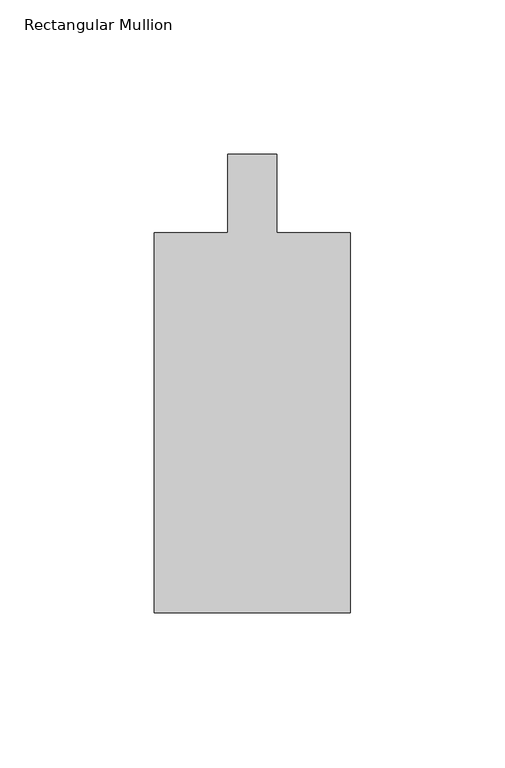
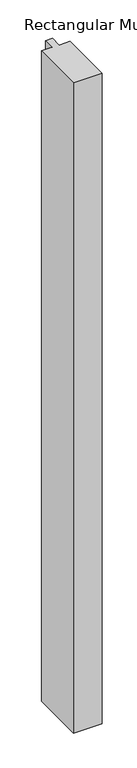
"""IFC4 building model written with IfcOpenShell, lengths in millimetres: member geometry, Rectangular Mullion."""

from ifc_helpers import new_model, si_unit, frame, origin, place, context, project, spatial, polyline, outline, extrude, source, transform, mapped, element, save


def rectangular_mullion_7bc462e0(model_context):
    return source(origin(), model_context, "Body", "SweptSolid", [
        extrude(outline(polyline([(-31.75, -135.73125), (-31.75, -12.7), (-7.9375, -12.7), (-7.9375, 12.7), (7.9375, 12.7), (7.9375, -12.7), (31.75, -12.7), (31.75, -135.73125), (-31.75, -135.73125)])), frame((0.0, 0.0, -1524.0), z_axis=(0.0, 0.0, 1.0), x_axis=(1.0, 0.0, 0.0)), (0.0, 0.0, 1.0), 1524.0),
    ])


if __name__ == "__main__":
    model = new_model("IFC4")
    model_context = context("Model", 3, world=origin())
    ifc_project = project(units=[si_unit("LENGTHUNIT", "METRE", prefix="MILLI")], contexts=[model_context])
    site = spatial("IfcSite", under=ifc_project)
    building = spatial("IfcBuilding", under=site)
    placement = place(None, origin())
    rectangular_mullion_shape = rectangular_mullion_7bc462e0(model_context)
    element("IfcMember", 1, ObjectType="Rectangular Mullion", at=placement, inside=building, context=model_context, shape_type="MappedRepresentation", body=[
        mapped(rectangular_mullion_shape, transform((0.0, 0.0, 0.0), x_axis=(1.0, 0.0, 0.0), y_axis=(0.0, 1.0, 0.0), z_axis=(0.0, 0.0, 1.0))),
    ])
    save(model, "model.ifc")
